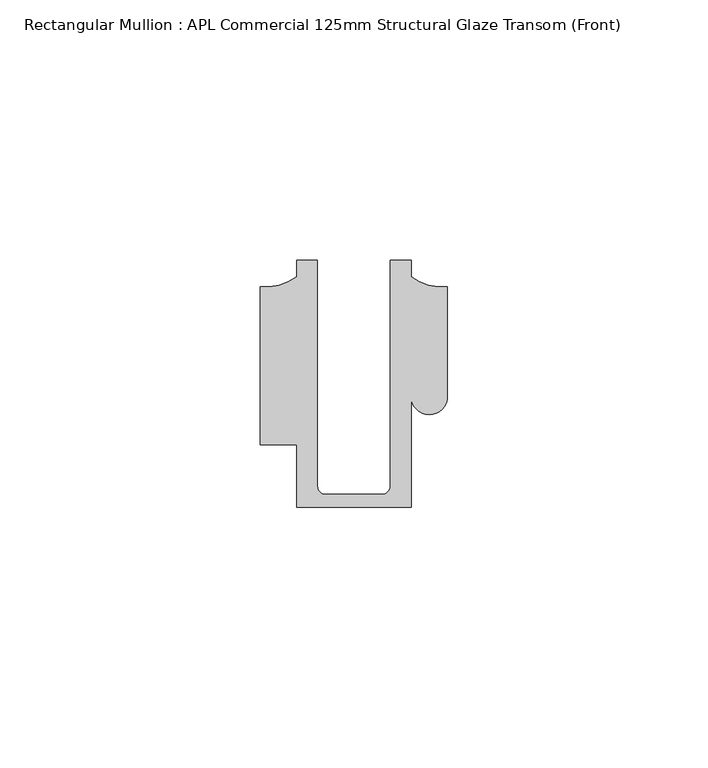
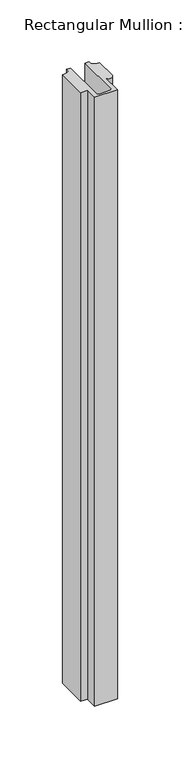
"""IFC4 building model written with IfcOpenShell, lengths in millimetres: member geometry, Rectangular Mullion : APL Commercial 125mm Structural Glaze Transom (Front)."""

from ifc_helpers import new_model, si_unit, frame, origin, place, context, project, spatial, polyline, circle_curve, source, transform, mapped, element, save
from ifc_brep_helpers import plane_surface, cylinder_surface, revolved_surface, advanced_brep


def rectangular_mullion_apl_commercial_125mm_structural_glaze_a1510962(model_context):
    return source(origin(), model_context, "Body", "AdvancedBrep", [
        advanced_brep(
        [(-11.0000151, -27.0, 0.0), (11.001071, -27.0, 0.0), (11.001071, -5.5848769, 0.0), (17.9999091, -5.6750512, 0.0), (17.9999542, 15.3797475, 0.0), (11.0000151, 17.3125212, 0.0), (11.0000151, 20.5, 0.0), (6.9999849, 20.5, 0.0), (6.9999849, -22.9973451, 0.0), (5.4999872, -24.5, 0.0), (-5.4999873, -24.5, 0.0), (-6.9999853, -22.9976091, 0.0), (-6.9999853, 20.5, 0.0), (-10.9999994, 20.5, 0.0), (-10.9999994, 17.3125325, 0.0), (-17.9999542, 15.3797475, 0.0), (-17.9999542, -15.0006281, 0.0), (-11.0000151, -15.0006281, 0.0), (-11.0000151, -27.0, -624.4000609), (-11.0000151, -15.0006281, -624.4000609), (-17.9999542, -15.0006281, -624.4000609), (-17.9999542, 15.3797475, -624.4000609), (-10.9999994, 17.3125325, -624.4000609), (-10.9999994, 20.5, -624.4000609), (-6.9999853, 20.5, -624.4000609), (-6.9999853, -22.9976091, -624.4000609), (-5.4999873, -24.5, -624.4000609), (5.4999872, -24.5, -624.4000609), (6.9999849, -22.9973451, -624.4000609), (6.9999849, 20.5, -624.4000609), (11.0000151, 20.5, -624.4000609), (11.0000151, 17.3125212, -624.4000609), (17.9999542, 15.3797475, -624.4000609), (17.9999542, -5.684606, -624.4000609), (11.001071, -5.5848769, -624.4000609), (11.001071, -27.0, -624.4000609)],
        [
            (0, 1),
            (1, 2),
            (2, 3, circle_curve(frame((14.4999091, -5.6750512, 0.0), z_axis=(0.0, 0.0, 1.0), x_axis=(-0.9999826028573957, 0.005898642432633649, 0.0)), 3.5)),
            (3, 4),
            (4, 5, circle_curve(frame((17.109817, 25.7981812, 0.0), z_axis=(0.0, 0.0, -1.0), x_axis=(0.0, -1.0, 0.0)), 10.4563907)),
            (5, 6),
            (6, 7),
            (7, 8),
            (8, 9, circle_curve(frame((5.4999872, -23.0, 0.0), z_axis=(0.0, 0.0, -1.0), x_axis=(0.9999999999999986, 5.463622857820516e-08, 0.0)), 1.5)),
            (9, 10),
            (10, 11, circle_curve(frame((-5.4999873, -23.0, 0.0), z_axis=(0.0, 0.0, -1.0), x_axis=(2.7320010112268853e-08, -0.9999999999999997, 0.0)), 1.5)),
            (11, 12),
            (12, 13),
            (13, 14),
            (14, 15, circle_curve(frame((-17.109817, 25.7981812, 0.0), z_axis=(0.0, 0.0, -1.0), x_axis=(0.0, -1.0, 0.0)), 10.4563907)),
            (15, 16),
            (16, 17),
            (17, 0),
            (18, 19),
            (19, 20),
            (20, 21),
            (21, 22, circle_curve(frame((-17.109817, 25.7981812, -624.4000609), z_axis=(0.0, 0.0, 1.0), x_axis=(0.0, -1.0, 0.0)), 10.4563907)),
            (22, 23),
            (23, 24),
            (24, 25),
            (25, 26, circle_curve(frame((-5.4999873, -23.0, -624.4000609), z_axis=(0.0, 0.0, 1.0), x_axis=(2.7320010112268853e-08, -0.9999999999999997, 0.0)), 1.5)),
            (26, 27),
            (27, 28, circle_curve(frame((5.4999872, -23.0, -624.4000609), z_axis=(0.0, 0.0, 1.0), x_axis=(0.9999999999999986, 5.463622857820516e-08, 0.0)), 1.5)),
            (28, 29),
            (29, 30),
            (30, 31),
            (31, 32, circle_curve(frame((17.109817, 25.7981812, -624.4000609), z_axis=(0.0, 0.0, 1.0), x_axis=(0.0, -1.0, 0.0)), 10.4563907)),
            (32, 33),
            (33, 34, circle_curve(frame((14.4999091, -5.6750512, -624.4000609), z_axis=(0.0, 0.0, -1.0), x_axis=(-0.9999826028573957, 0.005898642432633649, 0.0)), 3.5)),
            (34, 35),
            (35, 18),
            (0, 18),
            (35, 1),
            (34, 2),
            (33, 3),
            (32, 4),
            (31, 5),
            (30, 6),
            (29, 7),
            (28, 8),
            (27, 9),
            (26, 10),
            (25, 11),
            (24, 12),
            (23, 13),
            (22, 14),
            (21, 15),
            (20, 16),
            (19, 17),
        ],
        [
            plane_surface(frame((0.0, -29.1551636, 0.0), z_axis=(0.0, 0.0, 1.0), x_axis=(-1.0, 0.0, 0.0))),
            plane_surface(frame((0.0, -29.1551636, -624.4000609), z_axis=(0.0, 0.0, -1.0), x_axis=(-1.0, 0.0, 0.0))),
            plane_surface(frame((-11.0000151, -27.0, 0.0), z_axis=(0.0, -1.0, 0.0), x_axis=(0.0, 0.0, -1.0))),
            plane_surface(frame((11.001071, -27.0, 0.0), z_axis=(1.0, 0.0, 0.0), x_axis=(0.0, 0.0, -1.0))),
            cylinder_surface(frame((14.4999091, -5.6750512, 0.0), z_axis=(0.0, 0.0, 1.0), x_axis=(-0.9999826028573957, 0.005898642432633649, 0.0)), 3.5),
            plane_surface(frame((17.9999542, -5.684606, 0.0), z_axis=(1.0, 0.0, 0.0), x_axis=(0.0, 0.0, -1.0))),
            revolved_surface(polyline([(17.109817, 15.341790499999998, -624.4000609), (17.109817, 15.341790499999998, 0.0)]), (17.109817, 25.7981812, 0.0), (0.0, 0.0, -1.0)),
            plane_surface(frame((11.0000151, 17.3125212, 0.0), z_axis=(1.0, 0.0, 0.0), x_axis=(0.0, 0.0, -1.0))),
            plane_surface(frame((11.0000151, 20.5, 0.0), z_axis=(0.0, 1.0, 0.0), x_axis=(0.0, 0.0, -1.0))),
            plane_surface(frame((6.9999849, 20.5, 0.0), z_axis=(-1.0, 0.0, 0.0), x_axis=(0.0, 0.0, -1.0))),
            revolved_surface(polyline([(6.999987199999998, -22.999999918045656, -624.4000609), (6.999987199999998, -22.999999918045656, 0.0)]), (5.4999872, -23.0, 0.0), (0.0, 0.0, -1.0)),
            plane_surface(frame((5.4999872, -24.5, 0.0), z_axis=(0.0, 1.0, 0.0), x_axis=(0.0, 0.0, -1.0))),
            revolved_surface(polyline([(-5.499987259019985, -24.5, -624.4000609), (-5.499987259019985, -24.5, 0.0)]), (-5.4999873, -23.0, 0.0), (0.0, 0.0, -1.0)),
            plane_surface(frame((-6.9999853, -22.9976091, 0.0), z_axis=(1.0, 0.0, 0.0), x_axis=(0.0, 0.0, -1.0))),
            plane_surface(frame((-6.9999853, 20.5, 0.0), z_axis=(0.0, 1.0, 0.0), x_axis=(0.0, 0.0, -1.0))),
            plane_surface(frame((-10.9999994, 20.5, 0.0), z_axis=(-1.0, 0.0, 0.0), x_axis=(0.0, 0.0, -1.0))),
            revolved_surface(polyline([(-17.109817, 15.341790499999998, -624.4000609), (-17.109817, 15.341790499999998, 0.0)]), (-17.109817, 25.7981812, 0.0), (0.0, 0.0, -1.0)),
            plane_surface(frame((-17.9999542, 15.3797475, 0.0), z_axis=(-1.0, 0.0, 0.0), x_axis=(0.0, 0.0, -1.0))),
            plane_surface(frame((-17.9999542, -15.0006281, 0.0), z_axis=(0.0, -1.0, 0.0), x_axis=(0.0, 0.0, -1.0))),
            plane_surface(frame((-11.0000151, -15.0006281, 0.0), z_axis=(-1.0, 0.0, 0.0), x_axis=(0.0, 0.0, -1.0))),
        ],
        [
            (0, [[1, 2, 3, 4, 5, 6, 7, 8, 9, 10, 11, 12, 13, 14, 15, 16, 17, 18]]),
            (1, [[19, 20, 21, 22, 23, 24, 25, 26, 27, 28, 29, 30, 31, 32, 33, 34, 35, 36]]),
            (2, [[-1, 37, -36, 38]]),
            (3, [[-2, -38, -35, 39]]),
            (4, [[-3, -39, -34, 40]]),
            (5, [[-4, -40, -33, 41]]),
            (6, [[-5, -41, -32, 42]]),
            (7, [[-6, -42, -31, 43]]),
            (8, [[-7, -43, -30, 44]]),
            (9, [[-8, -44, -29, 45]]),
            (10, [[-9, -45, -28, 46]]),
            (11, [[-10, -46, -27, 47]]),
            (12, [[-11, -47, -26, 48]]),
            (13, [[-12, -48, -25, 49]]),
            (14, [[-13, -49, -24, 50]]),
            (15, [[-14, -50, -23, 51]]),
            (16, [[-15, -51, -22, 52]]),
            (17, [[-16, -52, -21, 53]]),
            (18, [[-17, -53, -20, 54]]),
            (19, [[-18, -54, -19, -37]]),
        ],
    ),
    ])


if __name__ == "__main__":
    model = new_model("IFC4")
    model_context = context("Model", 3, world=origin())
    ifc_project = project(units=[si_unit("LENGTHUNIT", "METRE", prefix="MILLI")], contexts=[model_context])
    site = spatial("IfcSite", under=ifc_project)
    building = spatial("IfcBuilding", under=site)
    placement = place(None, origin())
    rectangular_mullion_apl_commercial_125mm_structural_glaze_shape = rectangular_mullion_apl_commercial_125mm_structural_glaze_a1510962(model_context)
    element("IfcMember", 1, ObjectType="Rectangular Mullion : APL Commercial 125mm Structural Glaze Transom (Front)", at=placement, inside=building, context=model_context, shape_type="MappedRepresentation", body=[
        mapped(rectangular_mullion_apl_commercial_125mm_structural_glaze_shape, transform((0.0, 0.0, 0.0), x_axis=(1.0, 0.0, 0.0), y_axis=(0.0, 1.0, 0.0), z_axis=(0.0, 0.0, 1.0))),
    ])
    save(model, "model.ifc")
